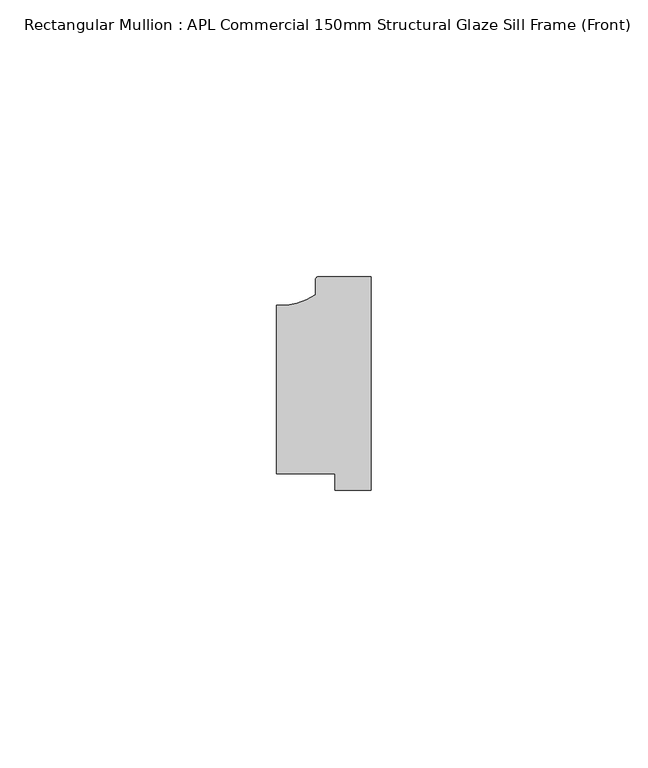
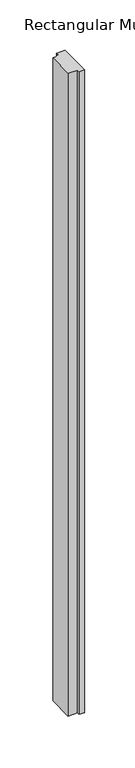
"""IFC4 building model written with IfcOpenShell, lengths in millimetres: member geometry, Rectangular Mullion : APL Commercial 150mm Structural Glaze Sill Frame (Front)."""

from ifc_helpers import new_model, si_unit, point, frame, frame_2d, origin, place, context, project, spatial, polyline, circle_curve, trimmed, segment, composite_curve, outline, extrude, source, transform, mapped, element, save


def rectangular_mullion_apl_commercial_150mm_structural_glaze_f57ef263(model_context):
    return source(origin(), model_context, "Body", "SweptSolid", [
        extrude(outline(composite_curve([segment(trimmed(circle_curve(frame_2d((-16.1098048, 25.7977481)), 10.4563907), [point((-16.999942, 15.3793144))], [point((-10.0, 17.3120901))], True, "CARTESIAN"), True, "CONTINUOUS"), segment(polyline([(-10.0, 17.3120901), (-10.0, 19.9980675)]), True, "CONTINUOUS"), segment(trimmed(circle_curve(frame_2d((-9.5000029, 19.99978)), 0.5), [point((-10.0, 19.9980675))], [point((-9.5000029, 20.49978))], False, "CARTESIAN"), True, "CONTINUOUS"), segment(polyline([(-9.5000029, 20.49978), (0.0, 20.49978), (0.0, -18.0281616), (-6.5000029, -18.0281616), (-6.5000029, -15.0004332), (-16.999942, -15.0004332), (-16.999942, 15.3793144)]), True, "CONTINUOUS")], self_intersect=False)), frame((0.0, 0.0, -777.4590307), z_axis=(0.0, 0.0, 1.0), x_axis=(1.0, 0.0, 0.0)), (0.0, 0.0, 1.0), 777.4590307),
    ])


if __name__ == "__main__":
    model = new_model("IFC4")
    model_context = context("Model", 3, world=origin())
    ifc_project = project(units=[si_unit("LENGTHUNIT", "METRE", prefix="MILLI")], contexts=[model_context])
    site = spatial("IfcSite", under=ifc_project)
    building = spatial("IfcBuilding", under=site)
    placement = place(None, origin())
    rectangular_mullion_apl_commercial_150mm_structural_glaze_shape = rectangular_mullion_apl_commercial_150mm_structural_glaze_f57ef263(model_context)
    element("IfcMember", 1, ObjectType="Rectangular Mullion : APL Commercial 150mm Structural Glaze Sill Frame (Front)", at=placement, inside=building, context=model_context, shape_type="MappedRepresentation", body=[
        mapped(rectangular_mullion_apl_commercial_150mm_structural_glaze_shape, transform((0.0, 0.0, 0.0), x_axis=(1.0, 0.0, 0.0), y_axis=(0.0, 1.0, 0.0), z_axis=(0.0, 0.0, 1.0))),
    ])
    save(model, "model.ifc")
